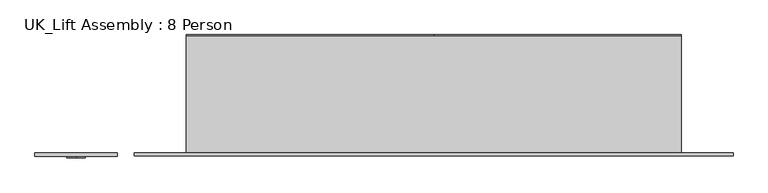
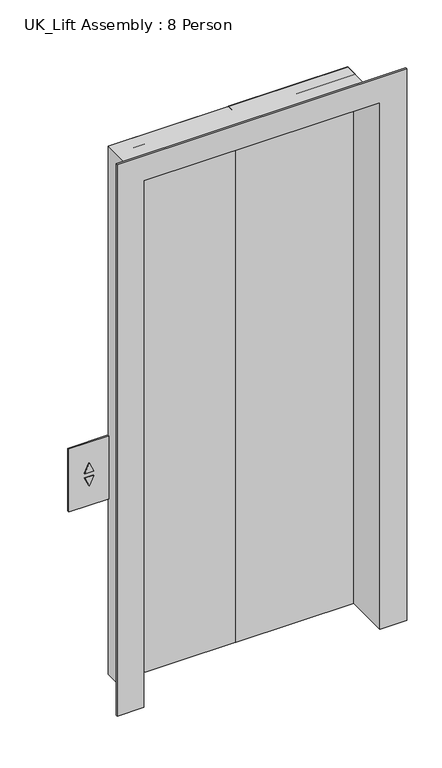
"""IFC4 building model written with IfcOpenShell, lengths in millimetres: proxy geometry, UK_Lift Assembly : 8 Person."""

import ifcopenshell
import ifcopenshell.guid

model = None  # the IFC model being written
_history = None  # IfcOwnerHistory: only IFC2X3 demands one
_inside = {}  # id of a spatial element -> (the spatial element, [elements in it])
_under = {}  # id of a project, library or spatial element -> (it, [spatial elements below it])
_declared = {}  # id of a project -> (the project, [libraries it declares])
_typed = {}  # id of a type object -> (the type object, [elements of that type])
_made_of = {}  # id of a material, layer set ... -> (it, [elements and type objects made of it])


def new_model(schema):
    """Start an empty IFC model of exactly this schema.

    Asked for "IFC4X3", IfcOpenShell would pick the latest addendum, in which some entities
    have other attributes; the version numbers below select the first issue.
    IFC2X3 requires an IfcOwnerHistory on every rooted entity: one is made here for all.
    """
    global model, _history
    if schema == "IFC4X3":
        model = ifcopenshell.file(schema_version=(4, 3, 0, 0))
    else:
        model = ifcopenshell.file(schema=schema)
    _inside.clear()
    _under.clear()
    _declared.clear()
    _typed.clear()
    _made_of.clear()
    _history = None
    if model.schema == "IFC2X3":
        org = make("IfcOrganization", Name="unknown")
        user = make(
            "IfcPersonAndOrganization",
            ThePerson=make("IfcPerson", FamilyName="unknown"),
            TheOrganization=org,
        )
        app = make(
            "IfcApplication",
            ApplicationDeveloper=org,
            Version="unknown",
            ApplicationFullName="unknown",
            ApplicationIdentifier="unknown",
        )
        _history = make(
            "IfcOwnerHistory",
            OwningUser=user,
            OwningApplication=app,
            ChangeAction="ADDED",
            CreationDate=0,
        )
    return model


def make(cls, **values):
    """One entity of the class cls with the attributes given. An attribute that is None is left unset."""
    return model.create_entity(
        cls, **{name: value for name, value in values.items() if value is not None}
    )


def rooted(cls, **values):
    """An entity with a GlobalId (a new one), such as an element, a storey or a relation."""
    return make(cls, GlobalId=ifcopenshell.guid.new(), OwnerHistory=_history, **values)


def si_unit(unit_type, name, prefix=None):
    """IfcSIUnit, for example si_unit("LENGTHUNIT", "METRE", prefix="MILLI")."""
    return make("IfcSIUnit", UnitType=unit_type, Prefix=prefix, Name=name)


def assignment(units):
    """IfcUnitAssignment: the units of a project."""
    return None if units is None else make("IfcUnitAssignment", Units=units)


def point(xyz):
    """IfcCartesianPoint."""
    return None if xyz is None else make("IfcCartesianPoint", Coordinates=xyz)


def direction(xyz):
    """IfcDirection."""
    return None if xyz is None else make("IfcDirection", DirectionRatios=xyz)


def frame(location, z_axis=None, x_axis=None):
    """IfcAxis2Placement3D, a coordinate frame: its origin and axes. An axis left out is left unset."""
    return make(
        "IfcAxis2Placement3D",
        Location=point(location),
        Axis=direction(z_axis),
        RefDirection=direction(x_axis),
    )


def origin():
    """The frame at (0, 0, 0) with its axes left unset."""
    return frame((0.0, 0.0, 0.0))


def origin_with_axes():
    """The frame at (0, 0, 0) with the z axis (0, 0, 1) and the x axis (1, 0, 0) written out."""
    return frame((0.0, 0.0, 0.0), z_axis=(0.0, 0.0, 1.0), x_axis=(1.0, 0.0, 0.0))


def place(relative_to, where):
    """IfcLocalPlacement: puts the frame where relative to a parent placement (None: the world)."""
    return make(
        "IfcLocalPlacement", PlacementRelTo=relative_to, RelativePlacement=where
    )


def context(
    kind, dimensions, precision=None, world=None, true_north=None, identifier=None
):
    """IfcGeometricRepresentationContext, for example the 3D "Model" context."""
    return make(
        "IfcGeometricRepresentationContext",
        ContextIdentifier=identifier,
        ContextType=kind,
        CoordinateSpaceDimension=dimensions,
        Precision=precision,
        WorldCoordinateSystem=world,
        TrueNorth=true_north,
    )


def project(units=None, contexts=None):
    """IfcProject with its units and contexts."""
    return rooted(
        "IfcProject",
        Name="project",
        RepresentationContexts=contexts,
        UnitsInContext=assignment(units),
    )


def spatial(cls, under=None, at=None, **own):
    """A site, building, storey or space (cls), placed at a placement, below another one or the project."""
    s = rooted(cls, ObjectPlacement=at, **own)
    if under is not None:
        _under.setdefault(under.id(), (under, []))[1].append(s)
    return s


def polyline(points):
    """IfcPolyline through the points."""
    return make("IfcPolyline", Points=[point(p) for p in points])


def outline(outer, holes=None, kind="AREA"):
    """IfcArbitraryClosedProfileDef: a profile drawn as a closed curve; with holes, ...WithVoids."""
    if holes is None:
        return make("IfcArbitraryClosedProfileDef", ProfileType=kind, OuterCurve=outer)
    return make(
        "IfcArbitraryProfileDefWithVoids",
        ProfileType=kind,
        OuterCurve=outer,
        InnerCurves=holes,
    )


def extrude(swept, where, along, depth):
    """IfcExtrudedAreaSolid: the profile swept, set in the frame where, extruded along a direction by depth."""
    return make(
        "IfcExtrudedAreaSolid",
        SweptArea=swept,
        Position=where,
        ExtrudedDirection=direction(along),
        Depth=depth,
    )


def faces_of(points, faces, orient=None, outer=None):
    """IfcFace entities. A face is a list of loops; a loop is a list of indices into points, from 0.

    orient and outer hold one flag for each loop. By default every Orientation is true, the
    first loop of a face is its IfcFaceOuterBound and the others are IfcFaceBound.
    """
    made = []
    for i, loops in enumerate(faces):
        bounds = []
        for j, loop in enumerate(loops):
            is_outer = j == 0 if outer is None else outer[i][j]
            bounds.append(
                make(
                    "IfcFaceOuterBound" if is_outer else "IfcFaceBound",
                    Bound=make("IfcPolyLoop", Polygon=[points[k] for k in loop]),
                    Orientation=True if orient is None else orient[i][j],
                )
            )
        made.append(make("IfcFace", Bounds=bounds))
    return made


def faceted_brep(points, faces, orient=None, outer=None, voids=None):
    """IfcFacetedBrep: a solid bounded by flat faces; with voids (closed shells), ...WithVoids."""
    shared = [point(p) for p in points]
    hull = make("IfcClosedShell", CfsFaces=faces_of(shared, faces, orient, outer))
    if voids is None:
        return make("IfcFacetedBrep", Outer=hull)
    return make(
        "IfcFacetedBrepWithVoids",
        Outer=hull,
        Voids=[
            make(cls, CfsFaces=faces_of(shared, fs, o, b)) for cls, fs, o, b in voids
        ],
    )


def shape(context_of_items, identifier, shape_type, items):
    """IfcShapeRepresentation: the items that make up one representation, for example the "Body"."""
    return make(
        "IfcShapeRepresentation",
        ContextOfItems=context_of_items,
        RepresentationIdentifier=identifier,
        RepresentationType=shape_type,
        Items=items,
    )


def source(mapping_origin, context_of_items, identifier, shape_type, items):
    """IfcRepresentationMap: a shape defined once, which mapped items show again and again."""
    return make(
        "IfcRepresentationMap",
        MappingOrigin=mapping_origin,
        MappedRepresentation=shape(context_of_items, identifier, shape_type, items),
    )


def transform(
    local_origin,
    x_axis=None,
    y_axis=None,
    z_axis=None,
    scale=None,
    scale2=None,
    scale3=None,
    uniform=True,
):
    """IfcCartesianTransformationOperator3D, or its non-uniform kind. x_axis, y_axis, z_axis: its Axis1, 2, 3."""
    if uniform:
        return make(
            "IfcCartesianTransformationOperator3D",
            Axis1=direction(x_axis),
            Axis2=direction(y_axis),
            LocalOrigin=point(local_origin),
            Scale=scale,
            Axis3=direction(z_axis),
        )
    return make(
        "IfcCartesianTransformationOperator3DnonUniform",
        Axis1=direction(x_axis),
        Axis2=direction(y_axis),
        LocalOrigin=point(local_origin),
        Scale=scale,
        Axis3=direction(z_axis),
        Scale2=scale2,
        Scale3=scale3,
    )


def mapped(mapping_source, mapping_target):
    """IfcMappedItem: shows the shape of a source again, moved by a transform."""
    return make(
        "IfcMappedItem", MappingSource=mapping_source, MappingTarget=mapping_target
    )


def made_of(thing, what):
    """Note that an element or type object is made of a material, layer set ...; save() writes the relation."""
    if what is not None:
        _made_of.setdefault(what.id(), (what, []))[1].append(thing)
    return thing


def element(
    cls,
    number,
    at=None,
    inside=None,
    cuts=None,
    type_object=None,
    material=None,
    context=None,
    identifier="Body",
    shape_type=None,
    held_by="IfcProductDefinitionShape",
    body=None,
    shapes=None,
    **own,
):
    """One element of the class cls, such as IfcWall. Its Tag is "e" and its number.

    at: its placement. inside: the storey or other place that contains it. cuts: it is an
    opening in that element (IfcRelVoidsElement). A single representation is given by context,
    identifier, shape_type and body (its items); several are given by shapes. held_by: the class
    of the entity that holds the representations. save() writes the other relations.
    """
    e = rooted(cls, Tag="e%d" % number, ObjectPlacement=at, **own)
    if body is not None:
        shapes = [shape(context, identifier, shape_type, body)]
    if shapes is not None:
        e.Representation = make(held_by, Representations=shapes)
    if inside is not None:
        _inside.setdefault(inside.id(), (inside, []))[1].append(e)
    if cuts is not None:
        rooted(
            "IfcRelVoidsElement", RelatingBuildingElement=cuts, RelatedOpeningElement=e
        )
    if type_object is not None:
        _typed.setdefault(type_object.id(), (type_object, []))[1].append(e)
    return made_of(e, material)


def aggregate(whole, parts):
    """IfcRelAggregates: a whole, such as a stair, and the parts it consists of."""
    return rooted("IfcRelAggregates", RelatingObject=whole, RelatedObjects=parts)


def save(model, path):
    """Write the relations noted so far, then the file.

    IfcRelAggregates (storeys below a building ...), IfcRelContainedInSpatialStructure (elements
    in a storey), IfcRelDefinesByType, IfcRelAssociatesMaterial and IfcRelDeclares: one each for
    every whole, place, type object, material and project.
    """
    for whole, parts in _under.values():
        aggregate(whole, parts)
    for where, things in _inside.values():
        rooted(
            "IfcRelContainedInSpatialStructure",
            RelatedElements=things,
            RelatingStructure=where,
        )
    for kind, things in _typed.values():
        rooted("IfcRelDefinesByType", RelatedObjects=things, RelatingType=kind)
    for what, things in _made_of.values():
        rooted("IfcRelAssociatesMaterial", RelatedObjects=things, RelatingMaterial=what)
    for by, libraries in _declared.values():
        rooted("IfcRelDeclares", RelatingContext=by, RelatedDefinitions=libraries)
    model.write(path)


def uk_lift_assembly_8_person_9b4918c6(model_context):
    return source(origin(), model_context, "Body", "SolidModel", [
        extrude(outline(polyline([(875.0, -975.0), (875.0, -825.0), (1125.0, -825.0), (1125.0, -975.0), (875.0, -975.0)]), holes=[polyline([(1008.7476885, -883.0952695), (1008.7476885, -916.9047305), (1045.0, -900.0), (1008.7476885, -883.0952695)]), polyline([(991.2523115, -883.0952695), (955.0, -900.0), (991.2523115, -916.9047305), (991.2523115, -883.0952695)])]), frame((0.0, -88.5, 0.0), z_axis=(0.0, 1.0, 0.0), x_axis=(0.0, 0.0, 1.0)), (0.0, 0.0, 1.0), 6.0),
        faceted_brep([(294.0, -88.5, 0.0), (194.0, -88.5, 0.0), (194.0, 130.5, 0.0), (200.0, 130.5, 0.0), (200.0, -82.5, 0.0), (294.0, -82.5, 0.0), (294.0, -82.5, 2194.0), (294.0, -88.5, 2194.0), (200.0, -82.5, 2100.0), (-700.0, -82.5, 2100.0), (-700.0, -82.5, 0.0), (-794.0, -82.5, 0.0), (-794.0, -82.5, 2194.0), (200.0, 130.5, 2100.0), (194.0, 130.5, 2094.0), (-694.0, 130.5, 2094.0), (-694.0, 130.5, 0.0), (-700.0, 130.5, 0.0), (-700.0, 130.5, 2100.0), (194.0, -88.5, 2094.0), (-794.0, -88.5, 2194.0), (-794.0, -88.5, 0.0), (-694.0, -88.5, 0.0), (-694.0, -88.5, 2094.0)], [[[0, 1, 2, 3, 4, 5]], [[5, 6, 7, 0]], [[4, 8, 9, 10, 11, 12, 6, 5]], [[3, 13, 8, 4]], [[2, 14, 15, 16, 17, 18, 13, 3]], [[1, 19, 14, 2]], [[0, 7, 20, 21, 22, 23, 19, 1]], [[6, 12, 20, 7]], [[13, 18, 9, 8]], [[19, 23, 15, 14]], [[21, 11, 10, 17, 16, 22]], [[12, 11, 21, 20]], [[18, 17, 10, 9]], [[23, 22, 16, 15]]]),
        extrude(outline(polyline([(200.0, 132.5), (200.0, 82.5), (-249.0, 82.5), (-249.0, 132.5), (200.0, 132.5)])), origin_with_axes(), (0.0, 0.0, 1.0), 2100.0),
        extrude(outline(polyline([(-250.0, 132.5), (-250.0, 82.5), (-700.0, 82.5), (-700.0, 132.5), (-250.0, 132.5)])), origin_with_axes(), (0.0, 0.0, 1.0), 2100.0),
        extrude(outline(polyline([(1008.7476885, -883.0952695), (1045.0, -900.0), (1008.7476885, -916.9047305), (1008.7476885, -883.0952695)])), frame((0.0, -91.5, 0.0), z_axis=(0.0, 1.0, 0.0), x_axis=(0.0, 0.0, 1.0)), (0.0, 0.0, 1.0), 9.0),
        extrude(outline(polyline([(991.2523115, -883.0952695), (991.2523115, -916.9047305), (955.0, -900.0), (991.2523115, -883.0952695)])), frame((0.0, -91.5, 0.0), z_axis=(0.0, 1.0, 0.0), x_axis=(0.0, 0.0, 1.0)), (0.0, 0.0, 1.0), 9.0),
    ])


if __name__ == "__main__":
    model = new_model("IFC4")
    model_context = context("Model", 3, world=origin())
    ifc_project = project(units=[si_unit("LENGTHUNIT", "METRE", prefix="MILLI")], contexts=[model_context])
    site = spatial("IfcSite", under=ifc_project)
    building = spatial("IfcBuilding", under=site)
    placement = place(None, origin())
    uk_lift_assembly_8_person_shape = uk_lift_assembly_8_person_9b4918c6(model_context)
    element("IfcBuildingElementProxy", 1, Name="UK_Lift Assembly : 8 Person", ObjectType="UK_Lift Assembly : 8 Person", at=placement, inside=building, context=model_context, shape_type="MappedRepresentation", body=[
        mapped(uk_lift_assembly_8_person_shape, transform((0.0, 0.0, 0.0), x_axis=(1.0, 0.0, 0.0), y_axis=(0.0, 1.0, 0.0), z_axis=(0.0, 0.0, 1.0))),
    ])
    save(model, "model.ifc")
